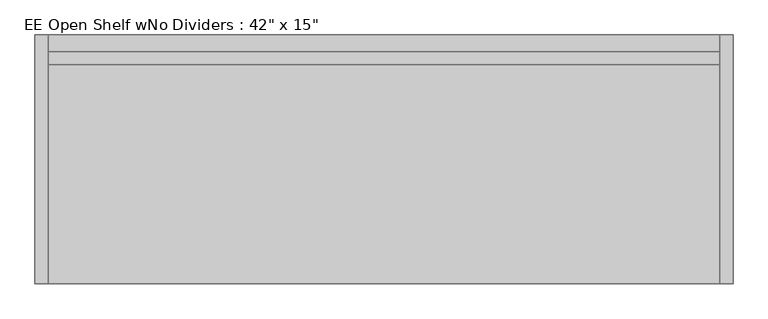
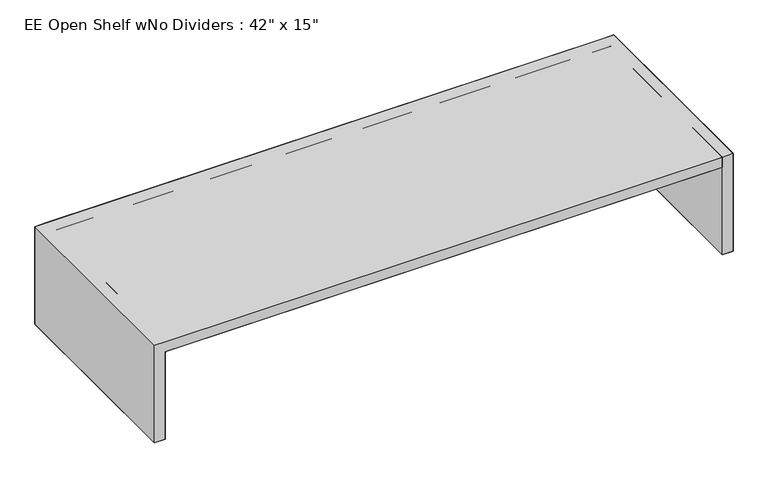
"""IFC4 building model written with IfcOpenShell, lengths in millimetres: furniture geometry."""

from ifc_helpers import new_model, si_unit, origin, place, context, project, spatial, triangles, source, transform, mapped, element, save


def furniture_4c0ff854(model_context):
    return source(origin(), model_context, "Body", "Tessellation", [
        triangles([(20.1675213, 381.0, 380.9999637), (1046.632263, 381.0001817, 381.0000363), (1046.632263, 381.0001817, 360.8324447), (20.1675213, 381.0, 360.832372), (1046.6324083, 0.000183, 381.0000363), (1046.6324083, 0.000183, 360.8324447), (20.1675894, 3.5e-06, 380.9999637), (20.1675894, 3.5e-06, 360.832372), (1066.7998547, 381.0001817, 381.0000363), (1066.7998547, 381.0001817, 190.5000363), (1046.632263, 381.0001817, 190.5000363), (1066.8, 0.0001865, 381.0000363), (1066.8, 0.0001865, 190.5000363), (1046.6324083, 0.000183, 190.5000363), (-6.66e-05, 381.0, 380.9999637), (20.1675213, 381.0, 190.4999455), (-6.66e-05, 381.0, 190.4999455), (20.1675894, 3.5e-06, 190.4999455), (0.0, 0.0, 380.9999637), (0.0, 0.0, 190.4999455), (1046.6324083, 335.4325779, 190.5000363), (1046.6324083, 335.4325779, 381.0000363), (20.1675304, 335.4323962, 190.4999455), (20.1675304, 335.4323962, 380.9999637)], [[1, 2, 3], [1, 3, 4], [2, 5, 6], [2, 6, 3], [2, 1, 7], [2, 7, 5], [6, 8, 4], [6, 4, 3], [5, 7, 8], [5, 8, 6], [7, 1, 4], [7, 4, 8], [2, 9, 10], [2, 10, 11], [9, 12, 13], [9, 13, 10], [9, 2, 5], [9, 5, 12], [13, 14, 11], [13, 11, 10], [12, 5, 14], [12, 14, 13], [5, 2, 11], [5, 11, 14], [15, 1, 16], [15, 16, 17], [1, 7, 18], [1, 18, 16], [1, 15, 19], [1, 19, 7], [18, 20, 17], [18, 17, 16], [7, 19, 20], [7, 20, 18], [19, 15, 17], [19, 17, 20], [21, 22, 23], [23, 22, 24]], closed=False),
        triangles([(1046.632263, 355.6001696, 381.0000363), (1046.632263, 355.6001696, 210.6676462), (20.1675281, 355.5999879, 210.6675553), (20.1675281, 355.5999879, 380.9999637)], [[1, 2, 3], [1, 3, 4]], closed=False),
        triangles([(1046.6324083, 335.4325779, 190.5000363), (20.1675304, 335.4323962, 190.4999455), (20.1675213, 381.0, 190.4999455), (1046.632263, 381.0001817, 190.5000363), (1046.632263, 381.0001817, 210.6676462), (20.1675213, 381.0, 210.6675553), (20.1675281, 355.5999879, 210.6675553), (1046.632263, 355.6001696, 210.6676462)], [[1, 2, 3], [1, 3, 4], [5, 4, 3], [5, 3, 6], [7, 8, 6], [6, 8, 5]], closed=False),
    ])


if __name__ == "__main__":
    model = new_model("IFC4")
    model_context = context("Model", 3, world=origin())
    ifc_project = project(units=[si_unit("LENGTHUNIT", "METRE", prefix="MILLI")], contexts=[model_context])
    site = spatial("IfcSite", under=ifc_project)
    building = spatial("IfcBuilding", under=site)
    placement = place(None, origin())
    furniture_shape = furniture_4c0ff854(model_context)
    element("IfcFurniture", 1, ObjectType="EE Open Shelf wNo Dividers : 42\" x 15\"", at=placement, inside=building, context=model_context, shape_type="MappedRepresentation", body=[
        mapped(furniture_shape, transform((0.0, 0.0, 0.0), x_axis=(1.0, 0.0, 0.0), y_axis=(0.0, 1.0, 0.0), z_axis=(0.0, 0.0, 1.0))),
    ])
    save(model, "model.ifc")
